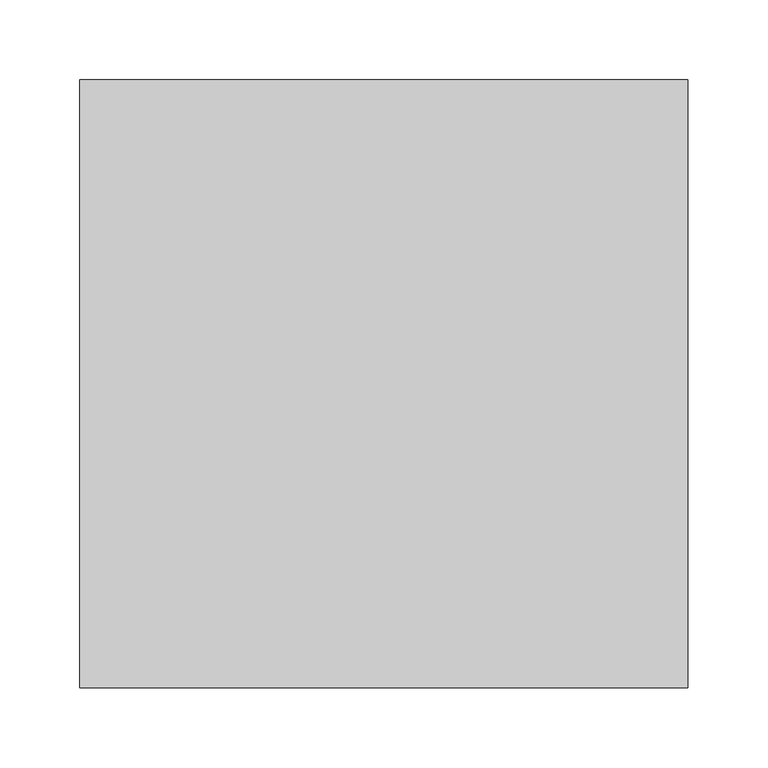
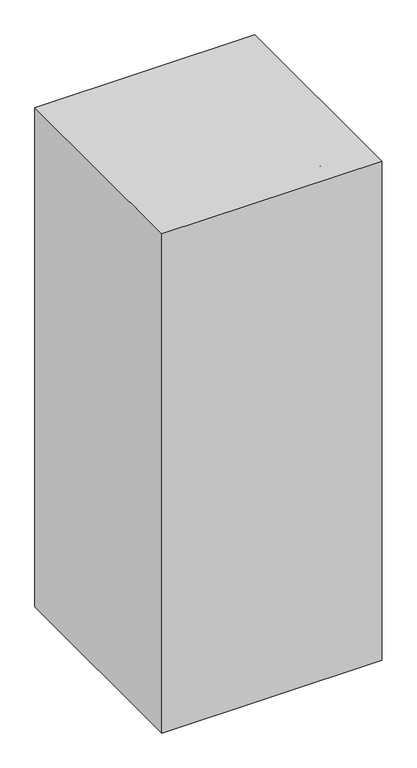
"""IFC4 building model written with IfcOpenShell, lengths in millimetres: proxy geometry."""

from ifc_helpers import new_model, si_unit, point, frame, frame_2d, origin, origin_with_axes, place, context, project, spatial, polyline, circle_curve, ellipse_curve, trimmed, segment, composite_curve, outline, extrude, source, transform, mapped, element, save
from ifc_brep_helpers import plane_surface, cylinder_surface, revolved_surface, advanced_brep


def specialty_equipment_57c74703(model_context):
    return source(origin(), model_context, "Body", "SolidModel", [
        extrude(outline(polyline([(0.0, -76.2), (0.0, 0.0), (12.7, 0.0), (12.7, -76.2), (0.0, -76.2)])), frame((-177.5900934, 239.9893842, 820.2504278), z_axis=(0.0, -0.4694715627858957, 0.8829475928589243), x_axis=(0.0, 0.8829475928589243, 0.4694715627858957)), (0.0, 0.0, 1.0), 76.2),
        advanced_brep(
        [(44.45, 215.9, 736.6), (44.45, 215.9, 723.9), (-16.0889464, 215.9, 736.6), (-22.0110536, 215.9, 723.9), (-78.0072211, 215.9, 810.3913264), (-90.7072211, 215.9, 805.7689044), (-78.0072211, 215.9, 858.8801154), (-90.7072211, 215.9, 846.1801154), (-160.5572211, 215.9, 858.8801154), (-160.5572211, 215.9, 846.1801154)],
        [
            (0, 1, circle_curve(frame((44.45, 215.9, 730.25), z_axis=(1.0, 0.0, 0.0), x_axis=(0.0, 0.0, -1.0)), 6.35)),
            (1, 0, circle_curve(frame((44.45, 215.9, 730.25), z_axis=(1.0, 0.0, 0.0), x_axis=(0.0, 0.0, -1.0)), 6.35)),
            (0, 2),
            (2, 3, ellipse_curve(frame((-19.05, 215.9, 730.25), z_axis=(0.9063077870366524, 0.0, -0.4226182617406946), x_axis=(0.42261826174069395, 0.0, 0.9063077870366525)), 7.0064498, 6.35)),
            (3, 1),
            (3, 2, ellipse_curve(frame((-19.05, 215.9, 730.25), z_axis=(0.9063077870366524, 0.0, -0.4226182617406946), x_axis=(0.42261826174069395, 0.0, 0.9063077870366525)), 7.0064498, 6.35)),
            (2, 4),
            (4, 5, ellipse_curve(frame((-84.3572211, 215.9, 808.0801154), z_axis=(0.3420201433256669, 0.0, -0.9396926207859092), x_axis=(0.9396926207859089, 0.0, 0.3420201433256674)), 6.7575289, 6.35)),
            (5, 3),
            (5, 4, ellipse_curve(frame((-84.3572211, 215.9, 808.0801154), z_axis=(0.3420201433256669, 0.0, -0.9396926207859092), x_axis=(0.9396926207859089, 0.0, 0.3420201433256674)), 6.7575289, 6.35)),
            (4, 6),
            (6, 7, ellipse_curve(frame((-84.3572211, 215.9, 852.5301154), z_axis=(0.7071067811865464, 0.0, -0.7071067811865487), x_axis=(-0.7071067811865487, 0.0, -0.7071067811865464)), 8.9802561, 6.35)),
            (7, 5),
            (7, 6, ellipse_curve(frame((-84.3572211, 215.9, 852.5301154), z_axis=(0.7071067811865464, 0.0, -0.7071067811865487), x_axis=(-0.7071067811865487, 0.0, -0.7071067811865464)), 8.9802561, 6.35)),
            (8, 9, circle_curve(frame((-160.5572211, 215.9, 852.5301154), z_axis=(-1.0, 0.0, 0.0), x_axis=(0.0, 0.0, -1.0)), 6.35)),
            (9, 8, circle_curve(frame((-160.5572211, 215.9, 852.5301154), z_axis=(-1.0, 0.0, 0.0), x_axis=(0.0, 0.0, -1.0)), 6.35)),
            (6, 8),
            (9, 7),
        ],
        [
            plane_surface(frame((44.45, 215.9, 730.25), z_axis=(1.0, 0.0, 0.0), x_axis=(0.0, -1.0, 0.0))),
            cylinder_surface(frame((44.45, 215.9, 730.25), z_axis=(1.0, 0.0, 0.0), x_axis=(0.0, 0.0, -1.0)), 6.35),
            cylinder_surface(frame((-19.05, 215.9, 730.25), z_axis=(0.6427876096865375, 0.0, -0.7660444431189797), x_axis=(-0.7660444431189797, 0.0, -0.6427876096865375)), 6.35),
            cylinder_surface(frame((-84.3572211, 215.9, 808.0801154), z_axis=(0.0, 0.0, -1.0), x_axis=(-1.0, 0.0, 0.0)), 6.35),
            plane_surface(frame((-160.5572211, 215.9, 852.5301154), z_axis=(-1.0, 0.0, 0.0), x_axis=(0.0, -1.0, 0.0))),
            cylinder_surface(frame((-84.3572211, 215.9, 852.5301154), z_axis=(1.0, 0.0, 0.0), x_axis=(0.0, 0.0, -1.0)), 6.35),
        ],
        [
            (0, [[1, 2]]),
            (1, [[-1, 3, 4, 5]]),
            (1, [[-2, -5, 6, -3]]),
            (2, [[-4, 7, 8, 9]]),
            (2, [[-6, -9, 10, -7]]),
            (3, [[-8, 11, 12, 13]]),
            (3, [[-10, -13, 14, -11]]),
            (4, [[15, 16]]),
            (5, [[-12, 17, -16, 18]]),
            (5, [[-14, -18, -15, -17]]),
        ],
    ),
        extrude(outline(composite_curve([segment(trimmed(circle_curve(frame_2d((730.25, 63.5)), 12.7), [point((730.25, 50.8))], [point((730.25, 76.2))], False, "CARTESIAN"), True, "CONTINUOUS"), segment(trimmed(circle_curve(frame_2d((730.25, 63.5)), 12.7), [point((730.25, 76.2))], [point((730.25, 50.8))], False, "CARTESIAN"), True, "CONTINUOUS")], self_intersect=False)), frame((0.0, 88.9, 0.0), z_axis=(0.0, 1.0, 0.0), x_axis=(0.0, 0.0, 1.0)), (0.0, 0.0, 1.0), 158.75),
        extrude(outline(composite_curve([segment(trimmed(circle_curve(frame_2d((730.25, 63.5)), 19.05), [point((730.25, 44.45))], [point((730.25, 82.55))], False, "CARTESIAN"), True, "CONTINUOUS"), segment(trimmed(circle_curve(frame_2d((730.25, 63.5)), 19.05), [point((730.25, 82.55))], [point((730.25, 44.45))], False, "CARTESIAN"), True, "CONTINUOUS")], self_intersect=False)), frame((0.0, 76.2, 0.0), z_axis=(0.0, 1.0, 0.0), x_axis=(0.0, 0.0, 1.0)), (0.0, 0.0, 1.0), 12.7),
        advanced_brep(
        [(6.6749119, 243.5968916, 875.3512512), (-10.6059042, 243.5968916, 883.409428), (-6.9449456, 243.5968916, 853.6764958), (-18.4550544, 243.5968916, 859.0437478)],
        [
            (0, 1, circle_curve(frame((-1.9654962, 243.5968916, 879.3803396), z_axis=(0.4226182617406888, 0.0, 0.906307787036655), x_axis=(0.9063077870366544, 0.0, -0.42261826174068995)), 9.5336354)),
            (1, 0, circle_curve(frame((-1.9654962, 243.5968916, 879.3803396), z_axis=(0.4226182617406888, 0.0, 0.906307787036655), x_axis=(-0.9063077870366558, 0.0, 0.42261826174068695)), 9.5336354)),
            (2, 3, circle_curve(frame((-12.7, 243.5968916, 856.3601218), z_axis=(-0.4226182617406888, 0.0, -0.906307787036655), x_axis=(-0.9063077870366558, 0.0, 0.42261826174068695)), 6.35)),
            (3, 2, circle_curve(frame((-12.7, 243.5968916, 856.3601218), z_axis=(-0.4226182617406888, 0.0, -0.906307787036655), x_axis=(0.9063077870366544, 0.0, -0.42261826174068995)), 6.35)),
            (2, 0),
            (1, 3),
        ],
        [
            plane_surface(frame((-1.9654962, 243.5968916, 879.3803396), z_axis=(0.42261826174068934, 0.0, 0.9063077870366547), x_axis=(0.0, 1.0, 0.0))),
            plane_surface(frame((-12.7, 243.5968916, 856.3601218), z_axis=(-0.42261826174068934, 0.0, -0.9063077870366547), x_axis=(0.0, 1.0, 0.0))),
            revolved_surface(polyline([(-6.9449455778731135, 243.5968916, 853.6764957896821), (6.674911899999998, 243.5968916, 875.3512512)]), (-34.1107742, 243.5968916, 810.4445683), (0.4226182617406888, 0.0, 0.906307787036655)),
            revolved_surface(polyline([(-18.45505446296622, 243.5968916, 859.0437477089987), (-10.605904175746641, 243.5968916, 883.4094280752884)]), (-34.1107742, 243.5968916, 810.4445683), (0.4226182617406888, 0.0, 0.906307787036655)),
        ],
        [
            (0, [[1, 2]]),
            (1, [[3, 4]]),
            (2, [[-3, 5, -2, 6]]),
            (3, [[-4, -6, -1, -5]]),
        ],
    ),
        advanced_brep(
        [(120.3250881, 243.5968916, 875.3512512), (137.6059042, 243.5968916, 883.409428), (133.9449456, 243.5968916, 853.6764958), (145.4550544, 243.5968916, 859.0437478)],
        [
            (0, 1, circle_curve(frame((128.9654962, 243.5968916, 879.3803396), z_axis=(-0.4226182617406885, 0.0, 0.9063077870366552), x_axis=(-0.9063077870366549, 0.0, -0.4226182617406886)), 9.5336354)),
            (1, 0, circle_curve(frame((128.9654962, 243.5968916, 879.3803396), z_axis=(-0.4226182617406885, 0.0, 0.9063077870366552), x_axis=(0.9063077870366556, 0.0, 0.42261826174068745)), 9.5336354)),
            (2, 3, circle_curve(frame((139.7, 243.5968916, 856.3601218), z_axis=(0.4226182617406885, 0.0, -0.9063077870366552), x_axis=(0.9063077870366556, 0.0, 0.42261826174068745)), 6.35)),
            (3, 2, circle_curve(frame((139.7, 243.5968916, 856.3601218), z_axis=(0.4226182617406885, 0.0, -0.9063077870366552), x_axis=(-0.9063077870366549, 0.0, -0.4226182617406886)), 6.35)),
            (3, 1),
            (0, 2),
        ],
        [
            plane_surface(frame((128.9654962, 243.5968916, 879.3803396), z_axis=(-0.42261826174068934, 0.0, 0.9063077870366547), x_axis=(0.0, -1.0, 0.0))),
            plane_surface(frame((139.7, 243.5968916, 856.3601218), z_axis=(0.42261826174068934, 0.0, -0.9063077870366547), x_axis=(0.0, -1.0, 0.0))),
            revolved_surface(polyline([(145.45505446296622, 243.5968916, 859.0437477089987), (137.60590417574664, 243.5968916, 883.4094280752884)]), (161.1107742, 243.5968916, 810.4445683), (-0.4226182617406885, 0.0, 0.9063077870366552)),
            revolved_surface(polyline([(133.9449455778731, 243.5968916, 853.676495789682), (120.3250881, 243.5968916, 875.3512512)]), (161.1107742, 243.5968916, 810.4445683), (-0.4226182617406885, 0.0, 0.9063077870366552)),
        ],
        [
            (0, [[1, 2]]),
            (1, [[3, 4]]),
            (2, [[-4, 5, -1, 6]]),
            (3, [[-3, -6, -2, -5]]),
        ],
    ),
        advanced_brep(
        [(133.9449456, 258.1987298, 853.6764958), (145.4550544, 258.1987298, 859.0437478), (140.7444281, 258.1987298, 839.0949585), (154.7573277, 258.1987298, 839.0949585), (127.603726, 258.1987298, 810.9146318), (135.6945183, 258.1987298, 798.2146318), (63.5, 258.1987298, 810.9146318), (63.5, 258.1987298, 798.2146318), (-0.603726, 258.1987298, 810.9146318), (-8.6945183, 258.1987298, 798.2146318), (-13.7444281, 258.1987298, 839.0949585), (-27.7573277, 258.1987298, 839.0949585), (-6.9449456, 258.1987298, 853.6764958), (-18.4550544, 258.1987298, 859.0437478)],
        [
            (0, 1, circle_curve(frame((139.7, 258.1987298, 856.3601218), z_axis=(-0.42261826174069717, 0.0, 0.906307787036651), x_axis=(0.906307787036651, 0.0, 0.42261826174069717)), 6.35)),
            (1, 0, circle_curve(frame((139.7, 258.1987298, 856.3601218), z_axis=(-0.42261826174069717, 0.0, 0.906307787036651), x_axis=(0.906307787036651, 0.0, 0.42261826174069717)), 6.35)),
            (0, 2),
            (2, 3, ellipse_curve(frame((147.7508779, 258.1987298, 839.0949585), z_axis=(0.0, 0.0, 1.0), x_axis=(-1.0, 0.0, 0.0)), 7.0064498, 6.35)),
            (3, 1),
            (3, 2, ellipse_curve(frame((147.7508779, 258.1987298, 839.0949585), z_axis=(0.0, 0.0, 1.0), x_axis=(-1.0, 0.0, 0.0)), 7.0064498, 6.35)),
            (2, 4),
            (4, 5, ellipse_curve(frame((131.6491221, 258.1987298, 804.5646318), z_axis=(0.8433914458128876, 0.0, 0.5372996083468209), x_axis=(-0.5372996083468209, 0.0, 0.8433914458128876)), 7.5291255, 6.35)),
            (5, 3),
            (5, 4, ellipse_curve(frame((131.6491221, 258.1987298, 804.5646318), z_axis=(0.8433914458128876, 0.0, 0.5372996083468209), x_axis=(-0.5372996083468209, 0.0, 0.8433914458128876)), 7.5291255, 6.35)),
            (4, 6),
            (6, 7, circle_curve(frame((63.5, 258.1987298, 804.5646318), z_axis=(1.0, 0.0, 0.0), x_axis=(0.0, 0.0, -1.0)), 6.35)),
            (7, 5),
            (7, 6, circle_curve(frame((63.5, 258.1987298, 804.5646318), z_axis=(1.0, 0.0, 0.0), x_axis=(0.0, 0.0, -1.0)), 6.35)),
            (6, 8),
            (8, 9, ellipse_curve(frame((-4.6491221, 258.1987298, 804.5646318), z_axis=(0.8433914458128859, 0.0, -0.5372996083468236), x_axis=(0.5372996083468233, 0.0, 0.8433914458128859)), 7.5291255, 6.35)),
            (9, 7),
            (9, 8, ellipse_curve(frame((-4.6491221, 258.1987298, 804.5646318), z_axis=(0.8433914458128859, 0.0, -0.5372996083468236), x_axis=(0.5372996083468233, 0.0, 0.8433914458128859)), 7.5291255, 6.35)),
            (8, 10),
            (10, 11, ellipse_curve(frame((-20.7508779, 258.1987298, 839.0949585), z_axis=(0.0, 0.0, -1.0), x_axis=(1.0, 0.0, 0.0)), 7.0064498, 6.35)),
            (11, 9),
            (11, 10, ellipse_curve(frame((-20.7508779, 258.1987298, 839.0949585), z_axis=(0.0, 0.0, -1.0), x_axis=(1.0, 0.0, 0.0)), 7.0064498, 6.35)),
            (12, 13, circle_curve(frame((-12.7, 258.1987298, 856.3601218), z_axis=(0.42261826174069733, 0.0, 0.9063077870366509), x_axis=(-0.9063077870366509, 0.0, 0.42261826174069733)), 6.35)),
            (13, 12, circle_curve(frame((-12.7, 258.1987298, 856.3601218), z_axis=(0.42261826174069733, 0.0, 0.9063077870366509), x_axis=(-0.9063077870366509, 0.0, 0.42261826174069733)), 6.35)),
            (10, 12),
            (13, 11),
        ],
        [
            plane_surface(frame((139.7, 76.2, 856.3601218), z_axis=(-0.42261826174069717, 0.0, 0.906307787036651), x_axis=(0.0, -1.0, 0.0))),
            cylinder_surface(frame((139.7, 258.1987298, 856.3601218), z_axis=(-0.42261826174069717, 0.0, 0.906307787036651), x_axis=(0.906307787036651, 0.0, 0.42261826174069717)), 6.35),
            cylinder_surface(frame((147.7508779, 258.1987298, 839.0949585), z_axis=(0.42261826174070577, 0.0, 0.9063077870366469), x_axis=(0.9063077870366469, 0.0, -0.42261826174070577)), 6.35),
            cylinder_surface(frame((131.6491221, 258.1987298, 804.5646318), z_axis=(1.0, 0.0, 0.0), x_axis=(0.0, 0.0, -1.0)), 6.35),
            cylinder_surface(frame((63.5, 258.1987298, 804.5646318), z_axis=(1.0, 0.0, 0.0), x_axis=(0.0, 0.0, -1.0)), 6.35),
            cylinder_surface(frame((-4.6491221, 258.1987298, 804.5646318), z_axis=(0.42261826174070016, 0.0, -0.9063077870366497), x_axis=(-0.9063077870366497, 0.0, -0.42261826174070016)), 6.35),
            plane_surface(frame((-12.7, 76.2, 856.3601218), z_axis=(0.4226182617406972, 0.0, 0.906307787036651), x_axis=(0.0, -1.0, 0.0))),
            cylinder_surface(frame((-20.7508779, 258.1987298, 839.0949585), z_axis=(-0.42261826174069733, 0.0, -0.9063077870366509), x_axis=(-0.9063077870366509, 0.0, 0.42261826174069733)), 6.35),
        ],
        [
            (0, [[1, 2]]),
            (1, [[-1, 3, 4, 5]]),
            (1, [[-2, -5, 6, -3]]),
            (2, [[-4, 7, 8, 9]]),
            (2, [[-6, -9, 10, -7]]),
            (3, [[-8, 11, 12, 13]]),
            (3, [[-10, -13, 14, -11]]),
            (4, [[-12, 15, 16, 17]]),
            (4, [[-14, -17, 18, -15]]),
            (5, [[-16, 19, 20, 21]]),
            (5, [[-18, -21, 22, -19]]),
            (6, [[23, 24]]),
            (7, [[-20, 25, -24, 26]]),
            (7, [[-22, -26, -23, -25]]),
        ],
    ),
        advanced_brep(
        [(-38.1, 254.0, 826.8645295), (165.1, 254.0, 826.8645295), (165.1, 254.0, 788.7645295), (-38.1, 254.0, 788.7645295), (-57.15, 254.0, 859.8600974), (184.15, 254.0, 859.8600974), (-52.5014774, 254.0, 864.50862), (179.5014774, 254.0, 864.50862), (-31.75, 254.0, 828.5660069), (158.75, 254.0, 828.5660069), (-31.75, 254.0, 795.1145295), (158.75, 254.0, 795.1145295), (63.5, 254.0, 795.1145295), (63.5, 254.0, 788.7645295)],
        [
            (0, 1, circle_curve(frame((63.5, 254.0, 826.8645295), z_axis=(0.0, 0.0, -1.0), x_axis=(1.0, 0.0, 0.0)), 101.6)),
            (1, 2),
            (2, 3, circle_curve(frame((63.5, 254.0, 788.7645295), z_axis=(0.0, 0.0, 1.0), x_axis=(1.0, 0.0, 0.0)), 101.6)),
            (3, 0),
            (1, 0, circle_curve(frame((63.5, 254.0, 826.8645295), z_axis=(0.0, 0.0, -1.0), x_axis=(1.0, 0.0, 0.0)), 101.6)),
            (3, 2, circle_curve(frame((63.5, 254.0, 788.7645295), z_axis=(0.0, 0.0, 1.0), x_axis=(1.0, 0.0, 0.0)), 101.6)),
            (4, 5, circle_curve(frame((63.5, 254.0, 859.8600974), z_axis=(0.0, 0.0, -1.0), x_axis=(1.0, 0.0, 0.0)), 120.65)),
            (5, 1),
            (0, 4),
            (5, 4, circle_curve(frame((63.5, 254.0, 859.8600974), z_axis=(0.0, 0.0, -1.0), x_axis=(1.0, 0.0, 0.0)), 120.65)),
            (6, 7, circle_curve(frame((63.5, 254.0, 864.50862), z_axis=(0.0, 0.0, -1.0), x_axis=(1.0, 0.0, 0.0)), 116.0014774)),
            (7, 5),
            (4, 6),
            (7, 6, circle_curve(frame((63.5, 254.0, 864.50862), z_axis=(0.0, 0.0, -1.0), x_axis=(1.0, 0.0, 0.0)), 116.0014774)),
            (8, 9, circle_curve(frame((63.5, 254.0, 828.5660069), z_axis=(0.0, 0.0, -1.0), x_axis=(1.0, 0.0, 0.0)), 95.25)),
            (9, 7),
            (6, 8),
            (9, 8, circle_curve(frame((63.5, 254.0, 828.5660069), z_axis=(0.0, 0.0, -1.0), x_axis=(1.0, 0.0, 0.0)), 95.25)),
            (10, 11, circle_curve(frame((63.5, 254.0, 795.1145295), z_axis=(0.0, 0.0, -1.0), x_axis=(1.0, 0.0, 0.0)), 95.25)),
            (11, 9),
            (8, 10),
            (11, 10, circle_curve(frame((63.5, 254.0, 795.1145295), z_axis=(0.0, 0.0, -1.0), x_axis=(1.0, 0.0, 0.0)), 95.25)),
            (12, 11),
            (10, 12),
            (2, 13),
            (13, 3),
        ],
        [
            cylinder_surface(frame((63.5, 254.0, 884.0145295), z_axis=(0.0, 0.0, 1.0), x_axis=(1.0, 0.0, 0.0)), 101.6),
            revolved_surface(polyline([(165.1, 254.0, 826.8645295), (184.15, 254.0, 859.8600974)]), (63.5, 254.0, 884.0145295), (0.0, 0.0, 1.0)),
            revolved_surface(polyline([(184.15, 254.0, 859.8600974), (179.5014774, 254.0, 864.50862)]), (63.5, 254.0, 884.0145295), (0.0, 0.0, 1.0)),
            revolved_surface(polyline([(179.5014774, 254.0, 864.50862), (158.75, 254.0, 828.5660069)]), (63.5, 254.0, 884.0145295), (0.0, 0.0, 1.0)),
            revolved_surface(polyline([(158.75, 254.0, 828.5660069), (158.75, 254.0, 795.1145295)]), (63.5, 254.0, 884.0145295), (0.0, 0.0, 1.0)),
            plane_surface(frame((63.5, 254.0, 795.1145295), z_axis=(0.0, 0.0, 1.0), x_axis=(1.0, 0.0, 0.0))),
            plane_surface(frame((63.5, 254.0, 788.7645295), z_axis=(0.0, 0.0, -1.0), x_axis=(1.0, 0.0, 0.0))),
        ],
        [
            (0, [[1, 2, 3, 4]]),
            (0, [[5, -4, 6, -2]]),
            (1, [[7, 8, -1, 9]]),
            (1, [[10, -9, -5, -8]]),
            (2, [[11, 12, -7, 13]]),
            (2, [[14, -13, -10, -12]]),
            (3, [[15, 16, -11, 17]]),
            (3, [[18, -17, -14, -16]]),
            (4, [[19, 20, -15, 21]]),
            (4, [[22, -21, -18, -20]]),
            (5, [[23, -19, 24]]),
            (5, [[-24, -22, -23]]),
            (6, [[-3, 25, 26]]),
            (6, [[-6, -26, -25]]),
        ],
    ),
        extrude(outline(composite_curve([segment(trimmed(circle_curve(frame_2d((63.5, 242.7630601)), 19.05), [point((44.45, 242.7630601))], [point((82.55, 242.7630601))], False, "CARTESIAN"), True, "CONTINUOUS"), segment(trimmed(circle_curve(frame_2d((63.5, 242.7630601)), 19.05), [point((82.55, 242.7630601))], [point((44.45, 242.7630601))], False, "CARTESIAN"), True, "CONTINUOUS")], self_intersect=False)), frame((0.0, 0.0, 678.0316343), z_axis=(0.0, 0.0, 1.0), x_axis=(1.0, 0.0, 0.0)), (0.0, 0.0, 1.0), 110.7328952),
        extrude(outline(polyline([(190.5, 442.9125), (190.5, 61.9125), (-190.5, 61.9125), (-190.5, 442.9125), (190.5, 442.9125)])), origin_with_axes(), (0.0, 0.0, 1.0), 914.4),
    ])


if __name__ == "__main__":
    model = new_model("IFC4")
    model_context = context("Model", 3, world=origin())
    ifc_project = project(units=[si_unit("LENGTHUNIT", "METRE", prefix="MILLI")], contexts=[model_context])
    site = spatial("IfcSite", under=ifc_project)
    building = spatial("IfcBuilding", under=site)
    placement = place(None, origin())
    specialty_equipment_shape = specialty_equipment_57c74703(model_context)
    element("IfcBuildingElementProxy", 1, Name="Specialty Equipment", at=placement, inside=building, context=model_context, shape_type="MappedRepresentation", body=[
        mapped(specialty_equipment_shape, transform((0.0, 0.0, 0.0), x_axis=(1.0, 0.0, 0.0), y_axis=(0.0, 1.0, 0.0), z_axis=(0.0, 0.0, 1.0))),
    ])
    save(model, "model.ifc")
